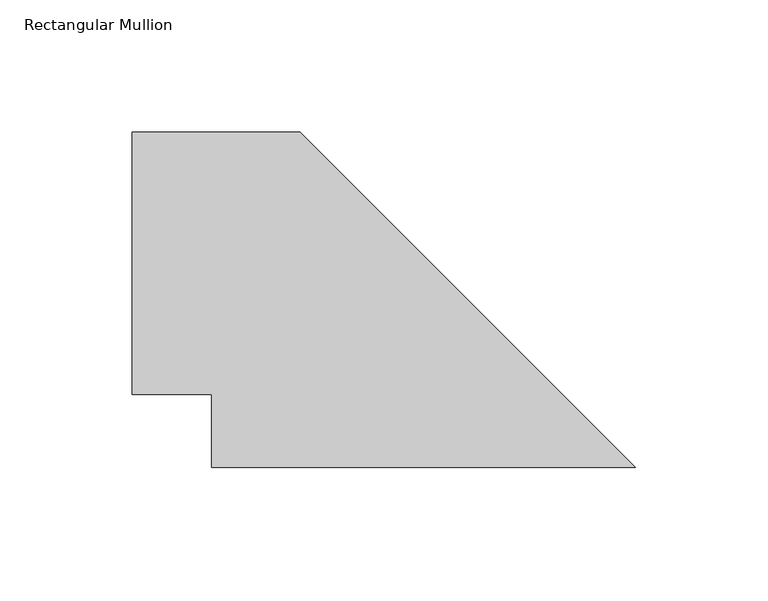
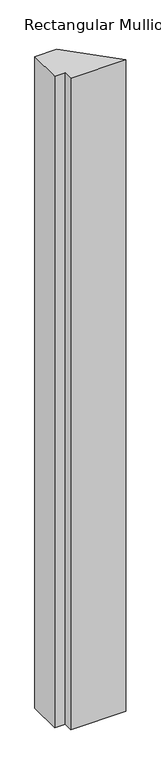
"""IFC4 building model written with IfcOpenShell, lengths in millimetres: member geometry, Rectangular Mullion."""

import ifcopenshell
import ifcopenshell.guid

model = None  # the IFC model being written
_history = None  # IfcOwnerHistory: only IFC2X3 demands one
_inside = {}  # id of a spatial element -> (the spatial element, [elements in it])
_under = {}  # id of a project, library or spatial element -> (it, [spatial elements below it])
_declared = {}  # id of a project -> (the project, [libraries it declares])
_typed = {}  # id of a type object -> (the type object, [elements of that type])
_made_of = {}  # id of a material, layer set ... -> (it, [elements and type objects made of it])


def new_model(schema):
    """Start an empty IFC model of exactly this schema.

    Asked for "IFC4X3", IfcOpenShell would pick the latest addendum, in which some entities
    have other attributes; the version numbers below select the first issue.
    IFC2X3 requires an IfcOwnerHistory on every rooted entity: one is made here for all.
    """
    global model, _history
    if schema == "IFC4X3":
        model = ifcopenshell.file(schema_version=(4, 3, 0, 0))
    else:
        model = ifcopenshell.file(schema=schema)
    _inside.clear()
    _under.clear()
    _declared.clear()
    _typed.clear()
    _made_of.clear()
    _history = None
    if model.schema == "IFC2X3":
        org = make("IfcOrganization", Name="unknown")
        user = make(
            "IfcPersonAndOrganization",
            ThePerson=make("IfcPerson", FamilyName="unknown"),
            TheOrganization=org,
        )
        app = make(
            "IfcApplication",
            ApplicationDeveloper=org,
            Version="unknown",
            ApplicationFullName="unknown",
            ApplicationIdentifier="unknown",
        )
        _history = make(
            "IfcOwnerHistory",
            OwningUser=user,
            OwningApplication=app,
            ChangeAction="ADDED",
            CreationDate=0,
        )
    return model


def make(cls, **values):
    """One entity of the class cls with the attributes given. An attribute that is None is left unset."""
    return model.create_entity(
        cls, **{name: value for name, value in values.items() if value is not None}
    )


def rooted(cls, **values):
    """An entity with a GlobalId (a new one), such as an element, a storey or a relation."""
    return make(cls, GlobalId=ifcopenshell.guid.new(), OwnerHistory=_history, **values)


def si_unit(unit_type, name, prefix=None):
    """IfcSIUnit, for example si_unit("LENGTHUNIT", "METRE", prefix="MILLI")."""
    return make("IfcSIUnit", UnitType=unit_type, Prefix=prefix, Name=name)


def assignment(units):
    """IfcUnitAssignment: the units of a project."""
    return None if units is None else make("IfcUnitAssignment", Units=units)


def point(xyz):
    """IfcCartesianPoint."""
    return None if xyz is None else make("IfcCartesianPoint", Coordinates=xyz)


def direction(xyz):
    """IfcDirection."""
    return None if xyz is None else make("IfcDirection", DirectionRatios=xyz)


def frame(location, z_axis=None, x_axis=None):
    """IfcAxis2Placement3D, a coordinate frame: its origin and axes. An axis left out is left unset."""
    return make(
        "IfcAxis2Placement3D",
        Location=point(location),
        Axis=direction(z_axis),
        RefDirection=direction(x_axis),
    )


def origin():
    """The frame at (0, 0, 0) with its axes left unset."""
    return frame((0.0, 0.0, 0.0))


def place(relative_to, where):
    """IfcLocalPlacement: puts the frame where relative to a parent placement (None: the world)."""
    return make(
        "IfcLocalPlacement", PlacementRelTo=relative_to, RelativePlacement=where
    )


def context(
    kind, dimensions, precision=None, world=None, true_north=None, identifier=None
):
    """IfcGeometricRepresentationContext, for example the 3D "Model" context."""
    return make(
        "IfcGeometricRepresentationContext",
        ContextIdentifier=identifier,
        ContextType=kind,
        CoordinateSpaceDimension=dimensions,
        Precision=precision,
        WorldCoordinateSystem=world,
        TrueNorth=true_north,
    )


def project(units=None, contexts=None):
    """IfcProject with its units and contexts."""
    return rooted(
        "IfcProject",
        Name="project",
        RepresentationContexts=contexts,
        UnitsInContext=assignment(units),
    )


def spatial(cls, under=None, at=None, **own):
    """A site, building, storey or space (cls), placed at a placement, below another one or the project."""
    s = rooted(cls, ObjectPlacement=at, **own)
    if under is not None:
        _under.setdefault(under.id(), (under, []))[1].append(s)
    return s


def polyline(points):
    """IfcPolyline through the points."""
    return make("IfcPolyline", Points=[point(p) for p in points])


def outline(outer, holes=None, kind="AREA"):
    """IfcArbitraryClosedProfileDef: a profile drawn as a closed curve; with holes, ...WithVoids."""
    if holes is None:
        return make("IfcArbitraryClosedProfileDef", ProfileType=kind, OuterCurve=outer)
    return make(
        "IfcArbitraryProfileDefWithVoids",
        ProfileType=kind,
        OuterCurve=outer,
        InnerCurves=holes,
    )


def extrude(swept, where, along, depth):
    """IfcExtrudedAreaSolid: the profile swept, set in the frame where, extruded along a direction by depth."""
    return make(
        "IfcExtrudedAreaSolid",
        SweptArea=swept,
        Position=where,
        ExtrudedDirection=direction(along),
        Depth=depth,
    )


def shape(context_of_items, identifier, shape_type, items):
    """IfcShapeRepresentation: the items that make up one representation, for example the "Body"."""
    return make(
        "IfcShapeRepresentation",
        ContextOfItems=context_of_items,
        RepresentationIdentifier=identifier,
        RepresentationType=shape_type,
        Items=items,
    )


def source(mapping_origin, context_of_items, identifier, shape_type, items):
    """IfcRepresentationMap: a shape defined once, which mapped items show again and again."""
    return make(
        "IfcRepresentationMap",
        MappingOrigin=mapping_origin,
        MappedRepresentation=shape(context_of_items, identifier, shape_type, items),
    )


def transform(
    local_origin,
    x_axis=None,
    y_axis=None,
    z_axis=None,
    scale=None,
    scale2=None,
    scale3=None,
    uniform=True,
):
    """IfcCartesianTransformationOperator3D, or its non-uniform kind. x_axis, y_axis, z_axis: its Axis1, 2, 3."""
    if uniform:
        return make(
            "IfcCartesianTransformationOperator3D",
            Axis1=direction(x_axis),
            Axis2=direction(y_axis),
            LocalOrigin=point(local_origin),
            Scale=scale,
            Axis3=direction(z_axis),
        )
    return make(
        "IfcCartesianTransformationOperator3DnonUniform",
        Axis1=direction(x_axis),
        Axis2=direction(y_axis),
        LocalOrigin=point(local_origin),
        Scale=scale,
        Axis3=direction(z_axis),
        Scale2=scale2,
        Scale3=scale3,
    )


def mapped(mapping_source, mapping_target):
    """IfcMappedItem: shows the shape of a source again, moved by a transform."""
    return make(
        "IfcMappedItem", MappingSource=mapping_source, MappingTarget=mapping_target
    )


def made_of(thing, what):
    """Note that an element or type object is made of a material, layer set ...; save() writes the relation."""
    if what is not None:
        _made_of.setdefault(what.id(), (what, []))[1].append(thing)
    return thing


def element(
    cls,
    number,
    at=None,
    inside=None,
    cuts=None,
    type_object=None,
    material=None,
    context=None,
    identifier="Body",
    shape_type=None,
    held_by="IfcProductDefinitionShape",
    body=None,
    shapes=None,
    **own,
):
    """One element of the class cls, such as IfcWall. Its Tag is "e" and its number.

    at: its placement. inside: the storey or other place that contains it. cuts: it is an
    opening in that element (IfcRelVoidsElement). A single representation is given by context,
    identifier, shape_type and body (its items); several are given by shapes. held_by: the class
    of the entity that holds the representations. save() writes the other relations.
    """
    e = rooted(cls, Tag="e%d" % number, ObjectPlacement=at, **own)
    if body is not None:
        shapes = [shape(context, identifier, shape_type, body)]
    if shapes is not None:
        e.Representation = make(held_by, Representations=shapes)
    if inside is not None:
        _inside.setdefault(inside.id(), (inside, []))[1].append(e)
    if cuts is not None:
        rooted(
            "IfcRelVoidsElement", RelatingBuildingElement=cuts, RelatedOpeningElement=e
        )
    if type_object is not None:
        _typed.setdefault(type_object.id(), (type_object, []))[1].append(e)
    return made_of(e, material)


def aggregate(whole, parts):
    """IfcRelAggregates: a whole, such as a stair, and the parts it consists of."""
    return rooted("IfcRelAggregates", RelatingObject=whole, RelatedObjects=parts)


def save(model, path):
    """Write the relations noted so far, then the file.

    IfcRelAggregates (storeys below a building ...), IfcRelContainedInSpatialStructure (elements
    in a storey), IfcRelDefinesByType, IfcRelAssociatesMaterial and IfcRelDeclares: one each for
    every whole, place, type object, material and project.
    """
    for whole, parts in _under.values():
        aggregate(whole, parts)
    for where, things in _inside.values():
        rooted(
            "IfcRelContainedInSpatialStructure",
            RelatedElements=things,
            RelatingStructure=where,
        )
    for kind, things in _typed.values():
        rooted("IfcRelDefinesByType", RelatedObjects=things, RelatingType=kind)
    for what, things in _made_of.values():
        rooted("IfcRelAssociatesMaterial", RelatedObjects=things, RelatingMaterial=what)
    for by, libraries in _declared.values():
        rooted("IfcRelDeclares", RelatingContext=by, RelatedDefinitions=libraries)
    model.write(path)


def rectangular_mullion_1b1d7642(model_context):
    return source(origin(), model_context, "Body", "SweptSolid", [
        extrude(outline(polyline([(-172.0794434, 11.6840047), (-172.0794434, 39.3700047), (-202.1840047, 39.3700047), (-202.1840047, 138.6840047), (-138.6840047, 138.6840047), (-11.6840047, 11.6840047), (-172.0794434, 11.6840047)])), frame((0.0, 0.0, -2000.2500001), z_axis=(0.0, 0.0, 1.0), x_axis=(1.0, 0.0, 0.0)), (0.0, 0.0, 1.0), 2000.2500001),
    ])


if __name__ == "__main__":
    model = new_model("IFC4")
    model_context = context("Model", 3, world=origin())
    ifc_project = project(units=[si_unit("LENGTHUNIT", "METRE", prefix="MILLI")], contexts=[model_context])
    site = spatial("IfcSite", under=ifc_project)
    building = spatial("IfcBuilding", under=site)
    placement = place(None, origin())
    rectangular_mullion_shape = rectangular_mullion_1b1d7642(model_context)
    element("IfcMember", 1, ObjectType="Rectangular Mullion", at=placement, inside=building, context=model_context, shape_type="MappedRepresentation", body=[
        mapped(rectangular_mullion_shape, transform((0.0, 0.0, 0.0), x_axis=(1.0, 0.0, 0.0), y_axis=(0.0, 1.0, 0.0), z_axis=(0.0, 0.0, 1.0))),
    ])
    save(model, "model.ifc")
